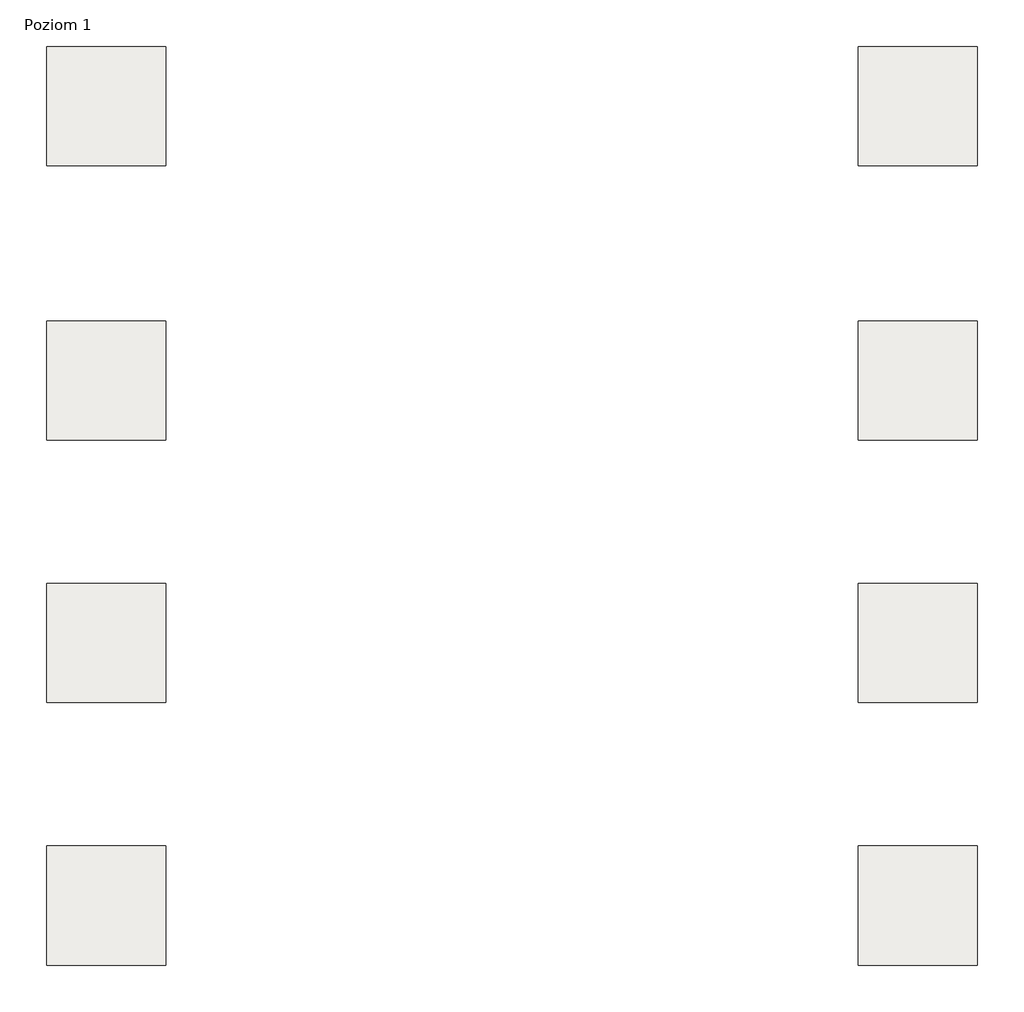
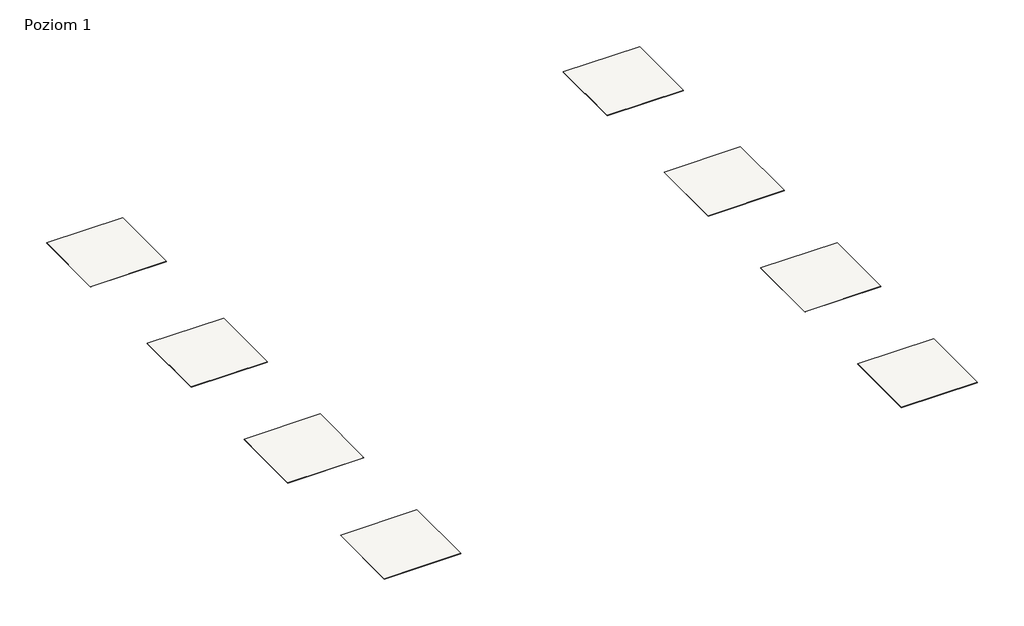
# One storey: 8 slabs.
"""IFC4 building model written with IfcOpenShell, lengths in millimetres."""

from ifc_helpers import new_model, si_unit, frame, origin, place, context, project, spatial, polyline, outline, extrude, element, save

model = new_model("IFC4")

# Units and contexts
model_context = context("Model", 3, world=origin())
ifc_project = project(units=[si_unit("LENGTHUNIT", "METRE", prefix="MILLI")], contexts=[model_context])

# Site, building, storey
site = spatial("IfcSite", under=ifc_project)
building = spatial("IfcBuilding", under=site)
storey = spatial("IfcBuildingStorey", under=building, Name="Poziom 1", Elevation=0.0)

# Slabs
placement = place(None, origin())
element("IfcSlab", 1, at=placement, inside=storey, context=model_context, shape_type="SweptSolid", body=[
    extrude(outline(polyline([(3036.5009197, 24640.1445193), (3036.5009197, 23640.1445193), (2036.5009197, 23640.1445193), (2036.5009197, 24640.1445193), (3036.5009197, 24640.1445193)])), frame((0.0, 0.0, -6.0), z_axis=(0.0, 0.0, 1.0), x_axis=(1.0, 0.0, 0.0)), (0.0, 0.0, 1.0), 6.0),
])
element("IfcSlab", 2, at=placement, inside=storey, context=model_context, shape_type="SweptSolid", body=[
    extrude(outline(polyline([(3036.5009197, 22340.1445193), (3036.5009197, 21340.1445193), (2036.5009197, 21340.1445193), (2036.5009197, 22340.1445193), (3036.5009197, 22340.1445193)])), frame((0.0, 0.0, -6.0), z_axis=(0.0, 0.0, 1.0), x_axis=(1.0, 0.0, 0.0)), (0.0, 0.0, 1.0), 6.0),
])
element("IfcSlab", 3, at=placement, inside=storey, context=model_context, shape_type="SweptSolid", body=[
    extrude(outline(polyline([(3036.5009197, 20140.1445193), (3036.5009197, 19140.1445193), (2036.5009197, 19140.1445193), (2036.5009197, 20140.1445193), (3036.5009197, 20140.1445193)])), frame((0.0, 0.0, -6.0), z_axis=(0.0, 0.0, 1.0), x_axis=(1.0, 0.0, 0.0)), (0.0, 0.0, 1.0), 6.0),
])
element("IfcSlab", 4, at=placement, inside=storey, context=model_context, shape_type="SweptSolid", body=[
    extrude(outline(polyline([(3036.5009197, 17940.1445193), (3036.5009197, 16940.1445193), (2036.5009197, 16940.1445193), (2036.5009197, 17940.1445193), (3036.5009197, 17940.1445193)])), frame((0.0, 0.0, -6.0), z_axis=(0.0, 0.0, 1.0), x_axis=(1.0, 0.0, 0.0)), (0.0, 0.0, 1.0), 6.0),
])
element("IfcSlab", 5, at=placement, inside=storey, context=model_context, shape_type="SweptSolid", body=[
    extrude(outline(polyline([(9836.5009197, 24640.1445193), (9836.5009197, 23640.1445193), (8836.5009197, 23640.1445193), (8836.5009197, 24640.1445193), (9836.5009197, 24640.1445193)])), frame((0.0, 0.0, -6.0), z_axis=(0.0, 0.0, 1.0), x_axis=(1.0, 0.0, 0.0)), (0.0, 0.0, 1.0), 6.0),
])
element("IfcSlab", 6, at=placement, inside=storey, context=model_context, shape_type="SweptSolid", body=[
    extrude(outline(polyline([(9836.5009197, 22340.1445193), (9836.5009197, 21340.1445193), (8836.5009197, 21340.1445193), (8836.5009197, 22340.1445193), (9836.5009197, 22340.1445193)])), frame((0.0, 0.0, -6.0), z_axis=(0.0, 0.0, 1.0), x_axis=(1.0, 0.0, 0.0)), (0.0, 0.0, 1.0), 6.0),
])
element("IfcSlab", 7, at=placement, inside=storey, context=model_context, shape_type="SweptSolid", body=[
    extrude(outline(polyline([(9836.5009197, 20140.1445193), (9836.5009197, 19140.1445193), (8836.5009197, 19140.1445193), (8836.5009197, 20140.1445193), (9836.5009197, 20140.1445193)])), frame((0.0, 0.0, -6.0), z_axis=(0.0, 0.0, 1.0), x_axis=(1.0, 0.0, 0.0)), (0.0, 0.0, 1.0), 6.0),
])
element("IfcSlab", 8, at=placement, inside=storey, context=model_context, shape_type="SweptSolid", body=[
    extrude(outline(polyline([(9836.5009197, 17940.1445193), (9836.5009197, 16940.1445193), (8836.5009197, 16940.1445193), (8836.5009197, 17940.1445193), (9836.5009197, 17940.1445193)])), frame((0.0, 0.0, -6.0), z_axis=(0.0, 0.0, 1.0), x_axis=(1.0, 0.0, 0.0)), (0.0, 0.0, 1.0), 6.0),
])

save(model, "model.ifc")
